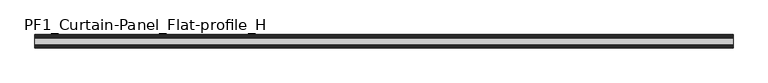
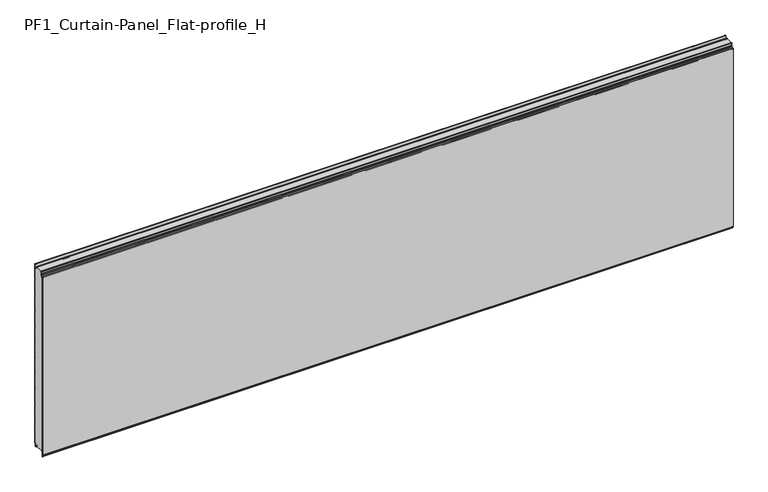
"""IFC4 building model written with IfcOpenShell, lengths in millimetres: plate geometry, PF1_Curtain-Panel_Flat-profile_H."""

from ifc_helpers import new_model, si_unit, point, frame, frame_2d, origin, place, context, project, spatial, polyline, circle_curve, trimmed, segment, composite_curve, outline, extrude, source, transform, mapped, element, save


def pf1_curtain_panel_flat_profile_h_c0822849(model_context):
    return source(origin(), model_context, "Body", "SweptSolid", [
        extrude(outline(composite_curve([segment(polyline([(-15.878557, 0.0), (-20.0, 0.0), (-20.0, 0.8), (-15.878557, 0.8)]), True, "CONTINUOUS"), segment(trimmed(circle_curve(frame_2d((-15.878557, -2.0)), 2.8), [point((-15.878557, 0.8))], [point((-13.1503208, -1.370137))], False, "CARTESIAN"), True, "CONTINUOUS"), segment(polyline([(-13.1503208, -1.370137), (-11.728236, -7.529863)]), True, "CONTINUOUS"), segment(trimmed(circle_curve(frame_2d((-9.0, -6.9)), 2.8), [point((-11.728236, -7.529863))], [point((-6.2, -6.9))], True, "CARTESIAN"), True, "CONTINUOUS"), segment(polyline([(-6.2, -6.9), (-6.2, 8.6)]), True, "CONTINUOUS"), segment(trimmed(circle_curve(frame_2d((-3.4, 8.6)), 2.8), [point((-6.2, 8.6))], [point((-3.4, 11.4))], False, "CARTESIAN"), True, "CONTINUOUS"), segment(polyline([(-3.4, 11.4), (-2.0, 11.4)]), True, "CONTINUOUS"), segment(trimmed(circle_curve(frame_2d((-2.0, 12.6)), 1.2), [point((-2.0, 11.4))], [point((-0.8, 12.6))], True, "CARTESIAN"), True, "CONTINUOUS"), segment(polyline([(-0.8, 12.6), (-0.8, 57.6856412), (-2.482606, 60.6), (-0.8, 63.5143588), (-0.8, 157.6856412), (-2.482606, 160.6), (-0.8, 163.5143588), (-0.8, 257.6856412), (-2.482606, 260.6), (-0.8, 263.5143588), (-0.8, 357.6856412), (-2.482606, 360.6), (-0.8, 363.5143588), (-0.8, 457.6856412), (-2.482606, 460.6), (-0.8, 463.5143588), (-0.8, 557.6856412), (-2.482606, 560.6), (-0.8, 563.5143588), (-0.8, 657.6856412), (-2.482606, 660.6), (-0.8, 663.5143588), (-0.8, 757.6856412), (-2.482606, 760.6), (-0.8, 763.5143588), (-0.8, 857.6856412), (-2.482606, 860.6), (-0.8, 863.5143588), (-0.8, 957.6856412), (-2.482606, 960.6), (-0.8, 963.5143588), (-0.8, 1057.6856412), (-2.482606, 1060.6), (-0.8, 1063.5143588), (-0.8, 1158.268846)]), True, "CONTINUOUS"), segment(trimmed(circle_curve(frame_2d((-2.5, 1158.268846)), 1.7), [point((-0.8, 1158.268846))], [point((-4.2, 1158.268846))], True, "CARTESIAN"), True, "CONTINUOUS"), segment(polyline([(-4.2, 1158.268846), (-4.2, 1141.268846)]), True, "CONTINUOUS"), segment(trimmed(circle_curve(frame_2d((-9.0, 1141.268846)), 4.8), [point((-4.2, 1141.268846))], [point((-13.7270771, 1140.4353344))], False, "CARTESIAN"), True, "CONTINUOUS"), segment(polyline([(-13.7270771, 1140.4353344), (-14.8636953, 1146.8814129)]), True, "CONTINUOUS"), segment(trimmed(circle_curve(frame_2d((-16.6363492, 1146.568846)), 1.8), [point((-14.8636953, 1146.8814129))], [point((-16.6363492, 1148.368846))], True, "CARTESIAN"), True, "CONTINUOUS"), segment(polyline([(-16.6363492, 1148.368846), (-20.0, 1148.368846), (-20.0, 1149.168846), (-16.6363492, 1149.168846)]), True, "CONTINUOUS"), segment(trimmed(circle_curve(frame_2d((-16.6363492, 1146.568846)), 2.6), [point((-16.6363492, 1149.168846))], [point((-14.0758491, 1147.0203315))], False, "CARTESIAN"), True, "CONTINUOUS"), segment(polyline([(-14.0758491, 1147.0203315), (-12.939231, 1140.574253)]), True, "CONTINUOUS"), segment(trimmed(circle_curve(frame_2d((-9.0, 1141.268846)), 4.0), [point((-12.939231, 1140.574253))], [point((-5.0, 1141.268846))], True, "CARTESIAN"), True, "CONTINUOUS"), segment(polyline([(-5.0, 1141.268846), (-5.0, 1158.268846)]), True, "CONTINUOUS"), segment(trimmed(circle_curve(frame_2d((-2.5, 1158.268846)), 2.5), [point((-5.0, 1158.268846))], [point((0.0, 1158.268846))], False, "CARTESIAN"), True, "CONTINUOUS"), segment(polyline([(0.0, 1158.268846), (0.0, 1063.2999995), (-1.5588455, 1060.6), (0.0, 1057.9000005), (0.0, 963.2999995), (-1.5588455, 960.6), (0.0, 957.9000005), (0.0, 863.2999995), (-1.5588455, 860.6), (0.0, 857.9000005), (0.0, 763.2999995), (-1.5588455, 760.6), (0.0, 757.9000005), (0.0, 663.2999995), (-1.5588455, 660.6), (0.0, 657.9000005), (0.0, 563.2999995), (-1.5588455, 560.6), (0.0, 557.9000005), (0.0, 463.2999995), (-1.5588455, 460.6), (0.0, 457.9000005), (0.0, 363.2999995), (-1.5588455, 360.6), (0.0, 357.9000005), (0.0, 263.2999995), (-1.5588455, 260.6), (0.0, 257.9000005), (0.0, 163.2999995), (-1.5588455, 160.6), (0.0, 157.9000005), (0.0, 63.2999995), (-1.5588455, 60.6), (0.0, 57.9000005), (0.0, 12.6)]), True, "CONTINUOUS"), segment(trimmed(circle_curve(frame_2d((-2.0, 12.6)), 2.0), [point((0.0, 12.6))], [point((-2.0, 10.6))], False, "CARTESIAN"), True, "CONTINUOUS"), segment(polyline([(-2.0, 10.6), (-3.4, 10.6)]), True, "CONTINUOUS"), segment(trimmed(circle_curve(frame_2d((-3.4, 8.6)), 2.0), [point((-3.4, 10.6))], [point((-5.4, 8.6))], True, "CARTESIAN"), True, "CONTINUOUS"), segment(polyline([(-5.4, 8.6), (-5.4, -6.9)]), True, "CONTINUOUS"), segment(trimmed(circle_curve(frame_2d((-9.0, -6.9)), 3.6), [point((-5.4, -6.9))], [point((-12.5077322, -7.7098239))], False, "CARTESIAN"), True, "CONTINUOUS"), segment(polyline([(-12.5077322, -7.7098239), (-13.929817, -1.5500979)]), True, "CONTINUOUS"), segment(trimmed(circle_curve(frame_2d((-15.878557, -2.0)), 2.0), [point((-13.929817, -1.5500979))], [point((-15.878557, 0.0))], True, "CARTESIAN"), True, "CONTINUOUS")], self_intersect=False)), frame((-2100.0, 0.0, 0.0), z_axis=(1.0, 0.0, 0.0), x_axis=(0.0, 1.0, 0.0)), (0.0, 0.0, 1.0), 4200.0),
        extrude(outline(composite_curve([segment(polyline([(-70.0, 0.0), (-73.5, 0.0)]), True, "CONTINUOUS"), segment(trimmed(circle_curve(frame_2d((-73.5, -2.0)), 2.0), [point((-73.5, 0.0))], [point((-75.5, -2.0))], True, "CARTESIAN"), True, "CONTINUOUS"), segment(polyline([(-75.5, -2.0), (-75.5, -33.0)]), True, "CONTINUOUS"), segment(trimmed(circle_curve(frame_2d((-76.5, -33.0)), 1.0), [point((-75.5, -33.0))], [point((-77.5, -33.0))], False, "CARTESIAN"), True, "CONTINUOUS"), segment(polyline([(-77.5, -33.0), (-77.5, -26.9)]), True, "CONTINUOUS"), segment(trimmed(circle_curve(frame_2d((-78.4, -26.9)), 0.9), [point((-77.5, -26.9))], [point((-78.4, -26.0))], True, "CARTESIAN"), True, "CONTINUOUS"), segment(trimmed(circle_curve(frame_2d((-78.4, -24.4)), 1.6), [point((-78.4, -26.0))], [point((-80.0, -24.4))], False, "CARTESIAN"), True, "CONTINUOUS"), segment(polyline([(-80.0, -24.4), (-80.0, 1123.168846)]), True, "CONTINUOUS"), segment(trimmed(circle_curve(frame_2d((-79.0, 1123.168846)), 1.0), [point((-80.0, 1123.168846))], [point((-78.0, 1123.168846))], False, "CARTESIAN"), True, "CONTINUOUS"), segment(polyline([(-78.0, 1123.168846), (-78.0, 1117.168846)]), True, "CONTINUOUS"), segment(trimmed(circle_curve(frame_2d((-76.5, 1117.168846)), 1.5), [point((-78.0, 1117.168846))], [point((-75.0, 1117.168846))], True, "CARTESIAN"), True, "CONTINUOUS"), segment(polyline([(-75.0, 1117.168846), (-75.0, 1117.9964664)]), True, "CONTINUOUS"), segment(trimmed(circle_curve(frame_2d((-68.8276204, 1117.9964664)), 6.1723796), [point((-75.0, 1117.9964664))], [point((-68.8276204, 1124.168846))], False, "CARTESIAN"), True, "CONTINUOUS"), segment(polyline([(-68.8276204, 1124.168846), (-68.0, 1124.168846)]), True, "CONTINUOUS"), segment(trimmed(circle_curve(frame_2d((-68.0, 1125.168846)), 1.0), [point((-68.0, 1124.168846))], [point((-67.0, 1125.168846))], True, "CARTESIAN"), True, "CONTINUOUS"), segment(polyline([(-67.0, 1125.168846), (-67.0, 1131.6688472), (-65.4999999, 1133.168846), (-67.0, 1134.6688448), (-67.0, 1146.568846)]), True, "CONTINUOUS"), segment(trimmed(circle_curve(frame_2d((-64.4, 1146.568846)), 2.6), [point((-67.0, 1146.568846))], [point((-64.4, 1149.168846))], False, "CARTESIAN"), True, "CONTINUOUS"), segment(polyline([(-64.4, 1149.168846), (-63.0, 1149.168846), (-63.0, 1148.368846), (-64.4, 1148.368846)]), True, "CONTINUOUS"), segment(trimmed(circle_curve(frame_2d((-64.4, 1146.568846)), 1.8), [point((-64.4, 1148.368846))], [point((-66.2, 1146.568846))], True, "CARTESIAN"), True, "CONTINUOUS"), segment(polyline([(-66.2, 1146.568846), (-66.2, 1135.0002158), (-64.3686285, 1133.168846), (-66.2, 1131.3374762), (-66.2, 1125.168846)]), True, "CONTINUOUS"), segment(trimmed(circle_curve(frame_2d((-68.0, 1125.168846)), 1.8), [point((-66.2, 1125.168846))], [point((-68.0, 1123.368846))], False, "CARTESIAN"), True, "CONTINUOUS"), segment(polyline([(-68.0, 1123.368846), (-68.8276204, 1123.368846)]), True, "CONTINUOUS"), segment(trimmed(circle_curve(frame_2d((-68.8276204, 1117.9964664)), 5.3723796), [point((-68.8276204, 1123.368846))], [point((-74.2, 1117.9964664))], True, "CARTESIAN"), True, "CONTINUOUS"), segment(polyline([(-74.2, 1117.9964664), (-74.2, 1117.168846)]), True, "CONTINUOUS"), segment(trimmed(circle_curve(frame_2d((-76.4, 1117.168846)), 2.2), [point((-74.2, 1117.168846))], [point((-78.6, 1117.168846))], False, "CARTESIAN"), True, "CONTINUOUS"), segment(polyline([(-78.6, 1117.168846), (-78.6, 1123.0579973)]), True, "CONTINUOUS"), segment(trimmed(circle_curve(frame_2d((-78.9, 1123.0579973)), 0.3), [point((-78.6, 1123.0579973))], [point((-79.2, 1123.0579973))], True, "CARTESIAN"), True, "CONTINUOUS"), segment(polyline([(-79.2, 1123.0579973), (-79.2, -24.4)]), True, "CONTINUOUS"), segment(trimmed(circle_curve(frame_2d((-78.4, -24.4)), 0.8), [point((-79.2, -24.4))], [point((-78.4, -25.2))], True, "CARTESIAN"), True, "CONTINUOUS"), segment(trimmed(circle_curve(frame_2d((-78.6133333, -26.9)), 1.7133333), [point((-78.4, -25.2))], [point((-76.9, -26.9))], False, "CARTESIAN"), True, "CONTINUOUS"), segment(polyline([(-76.9, -26.9), (-76.9, -32.8700312)]), True, "CONTINUOUS"), segment(trimmed(circle_curve(frame_2d((-76.6, -32.8700312)), 0.3), [point((-76.9, -32.8700312))], [point((-76.3, -32.8700312))], True, "CARTESIAN"), True, "CONTINUOUS"), segment(polyline([(-76.3, -32.8700312), (-76.3, -2.0)]), True, "CONTINUOUS"), segment(trimmed(circle_curve(frame_2d((-73.5, -2.0)), 2.8), [point((-76.3, -2.0))], [point((-73.5, 0.8))], False, "CARTESIAN"), True, "CONTINUOUS"), segment(polyline([(-73.5, 0.8), (-70.0, 0.8), (-70.0, 0.0)]), True, "CONTINUOUS")], self_intersect=False)), frame((-2100.0, 0.0, 0.0), z_axis=(1.0, 0.0, 0.0), x_axis=(0.0, 1.0, 0.0)), (0.0, 0.0, 1.0), 4200.0),
        extrude(outline(composite_curve([segment(polyline([(-70.0, 0.8), (-73.5, 0.8)]), True, "CONTINUOUS"), segment(trimmed(circle_curve(frame_2d((-73.5, -2.0)), 2.8), [point((-73.5, 0.8))], [point((-76.3, -2.0))], True, "CARTESIAN"), True, "CONTINUOUS"), segment(polyline([(-76.3, -2.0), (-76.3, -32.8700312)]), True, "CONTINUOUS"), segment(trimmed(circle_curve(frame_2d((-76.6, -32.8700312)), 0.3), [point((-76.3, -32.8700312))], [point((-76.9, -32.8700312))], False, "CARTESIAN"), True, "CONTINUOUS"), segment(polyline([(-76.9, -32.8700312), (-76.9, -26.9)]), True, "CONTINUOUS"), segment(trimmed(circle_curve(frame_2d((-78.6133333, -26.9)), 1.7133333), [point((-76.9, -26.9))], [point((-78.4, -25.2))], True, "CARTESIAN"), True, "CONTINUOUS"), segment(trimmed(circle_curve(frame_2d((-78.4, -24.4)), 0.8), [point((-78.4, -25.2))], [point((-79.2, -24.4))], False, "CARTESIAN"), True, "CONTINUOUS"), segment(polyline([(-79.2, -24.4), (-79.2, 1123.0579973)]), True, "CONTINUOUS"), segment(trimmed(circle_curve(frame_2d((-78.9, 1123.0579973)), 0.3), [point((-79.2, 1123.0579973))], [point((-78.6, 1123.0579973))], False, "CARTESIAN"), True, "CONTINUOUS"), segment(polyline([(-78.6, 1123.0579973), (-78.6, 1117.168846)]), True, "CONTINUOUS"), segment(trimmed(circle_curve(frame_2d((-76.4, 1117.168846)), 2.2), [point((-78.6, 1117.168846))], [point((-74.2, 1117.168846))], True, "CARTESIAN"), True, "CONTINUOUS"), segment(polyline([(-74.2, 1117.168846), (-74.2, 1117.9964664)]), True, "CONTINUOUS"), segment(trimmed(circle_curve(frame_2d((-68.8276204, 1117.9964664)), 5.3723796), [point((-74.2, 1117.9964664))], [point((-68.8276204, 1123.368846))], False, "CARTESIAN"), True, "CONTINUOUS"), segment(polyline([(-68.8276204, 1123.368846), (-68.0, 1123.368846)]), True, "CONTINUOUS"), segment(trimmed(circle_curve(frame_2d((-68.0, 1125.168846)), 1.8), [point((-68.0, 1123.368846))], [point((-66.2, 1125.168846))], True, "CARTESIAN"), True, "CONTINUOUS"), segment(polyline([(-66.2, 1125.168846), (-66.2, 1131.3374762), (-64.3686285, 1133.168846), (-66.2, 1135.0002158), (-66.2, 1146.568846)]), True, "CONTINUOUS"), segment(trimmed(circle_curve(frame_2d((-64.4, 1146.568846)), 1.8), [point((-66.2, 1146.568846))], [point((-64.4, 1148.368846))], False, "CARTESIAN"), True, "CONTINUOUS"), segment(polyline([(-64.4, 1148.368846), (-63.0, 1148.368846), (-63.0, 1149.168846), (-20.0, 1149.168846), (-20.0, 1148.368846), (-16.6363492, 1148.368846)]), True, "CONTINUOUS"), segment(trimmed(circle_curve(frame_2d((-16.6363492, 1146.568846)), 1.8), [point((-16.6363492, 1148.368846))], [point((-14.8636953, 1146.8814129))], False, "CARTESIAN"), True, "CONTINUOUS"), segment(polyline([(-14.8636953, 1146.8814129), (-13.7270772, 1140.4353344)]), True, "CONTINUOUS"), segment(trimmed(circle_curve(frame_2d((-9.0, 1141.268846)), 4.8), [point((-13.7270772, 1140.4353344))], [point((-4.2, 1141.268846))], True, "CARTESIAN"), True, "CONTINUOUS"), segment(polyline([(-4.2, 1141.268846), (-4.2, 1158.268846)]), True, "CONTINUOUS"), segment(trimmed(circle_curve(frame_2d((-2.5, 1158.268846)), 1.7), [point((-4.2, 1158.268846))], [point((-0.8, 1158.268846))], False, "CARTESIAN"), True, "CONTINUOUS"), segment(polyline([(-0.8, 1158.268846), (-0.8, 1063.5143588), (-2.482606, 1060.6), (-0.8, 1057.6856412), (-0.8, 963.5143588), (-2.482606, 960.6), (-0.8, 957.6856412), (-0.8, 863.5143588), (-2.482606, 860.6), (-0.8, 857.6856412), (-0.8, 763.5143588), (-2.482606, 760.6), (-0.8, 757.6856412), (-0.8, 663.5143588), (-2.482606, 660.6), (-0.8, 657.6856412), (-0.8, 563.5143588), (-2.482606, 560.6), (-0.8, 557.6856412), (-0.8, 463.5143588), (-2.482606, 460.6), (-0.8, 457.6856412), (-0.8, 363.5143588), (-2.482606, 360.6), (-0.8, 357.6856412), (-0.8, 263.5143588), (-2.482606, 260.6), (-0.8, 257.6856412), (-0.8, 163.5143588), (-2.482606, 160.6), (-0.8, 157.6856412), (-0.8, 63.5143588), (-2.482606, 60.6), (-0.8, 57.6856412), (-0.8, 12.6)]), True, "CONTINUOUS"), segment(trimmed(circle_curve(frame_2d((-2.0, 12.6)), 1.2), [point((-0.8, 12.6))], [point((-2.0, 11.4))], False, "CARTESIAN"), True, "CONTINUOUS"), segment(polyline([(-2.0, 11.4), (-3.4, 11.4)]), True, "CONTINUOUS"), segment(trimmed(circle_curve(frame_2d((-3.4, 8.6)), 2.8), [point((-3.4, 11.4))], [point((-6.2, 8.6))], True, "CARTESIAN"), True, "CONTINUOUS"), segment(polyline([(-6.2, 8.6), (-6.2, -6.9)]), True, "CONTINUOUS"), segment(trimmed(circle_curve(frame_2d((-9.0, -6.9)), 2.8), [point((-6.2, -6.9))], [point((-11.7282362, -7.529863))], False, "CARTESIAN"), True, "CONTINUOUS"), segment(polyline([(-11.7282362, -7.529863), (-13.1503208, -1.370137)]), True, "CONTINUOUS"), segment(trimmed(circle_curve(frame_2d((-15.878557, -2.0)), 2.8), [point((-13.1503208, -1.370137))], [point((-15.878557, 0.8))], True, "CARTESIAN"), True, "CONTINUOUS"), segment(polyline([(-15.878557, 0.8), (-20.0, 0.8), (-20.0, 0.0), (-70.0, 0.0), (-70.0, 0.8)]), True, "CONTINUOUS")], self_intersect=False)), frame((-2100.0, 0.0, 0.0), z_axis=(1.0, 0.0, 0.0), x_axis=(0.0, 1.0, 0.0)), (0.0, 0.0, 1.0), 4200.0),
    ])


if __name__ == "__main__":
    model = new_model("IFC4")
    model_context = context("Model", 3, world=origin())
    ifc_project = project(units=[si_unit("LENGTHUNIT", "METRE", prefix="MILLI")], contexts=[model_context])
    site = spatial("IfcSite", under=ifc_project)
    building = spatial("IfcBuilding", under=site)
    placement = place(None, origin())
    pf1_curtain_panel_flat_profile_h_shape = pf1_curtain_panel_flat_profile_h_c0822849(model_context)
    element("IfcPlate", 1, ObjectType="PF1_Curtain-Panel_Flat-profile_H", at=placement, inside=building, context=model_context, shape_type="MappedRepresentation", body=[
        mapped(pf1_curtain_panel_flat_profile_h_shape, transform((0.0, 0.0, 0.0), x_axis=(1.0, 0.0, 0.0), y_axis=(0.0, 1.0, 0.0), z_axis=(0.0, 0.0, 1.0))),
    ])
    save(model, "model.ifc")
